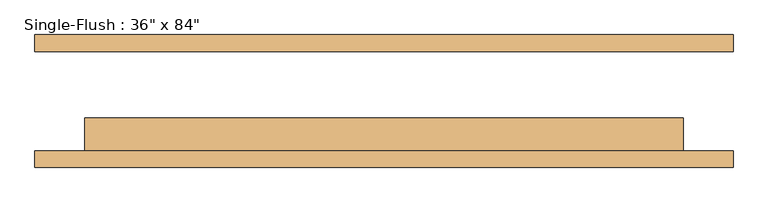
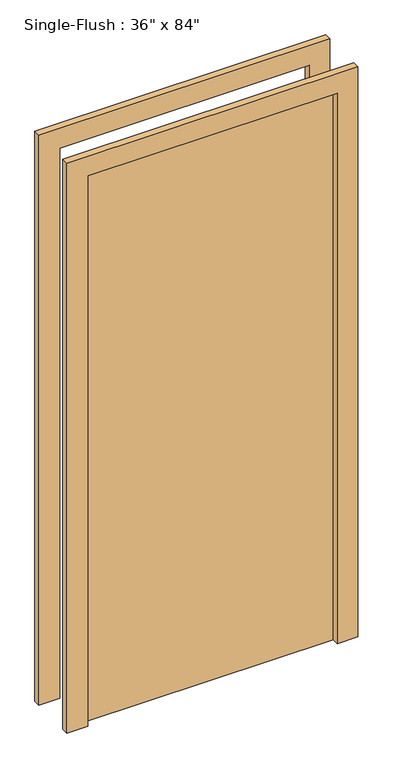
"""IFC4 building model written with IfcOpenShell, lengths in millimetres: door geometry."""

from ifc_helpers import new_model, si_unit, frame, origin, origin_with_axes, place, context, project, spatial, polyline, outline, extrude, source, transform, mapped, element, save


def door_686f89d2(model_context):
    return source(origin(), model_context, "Body", "SweptSolid", [
        extrude(outline(polyline([(2209.8, -533.4), (0.0, -533.4), (0.0, -457.2), (2133.6, -457.2), (2133.6, 457.2), (0.0, 457.2), (0.0, 533.4), (2209.8, 533.4), (2209.8, -533.4)])), frame((0.0, -101.6, 0.0), z_axis=(0.0, 1.0, 0.0), x_axis=(0.0, 0.0, 1.0)), (0.0, 0.0, 1.0), 25.4),
        extrude(outline(polyline([(2209.8, 533.4), (2209.8, -533.4), (0.0, -533.4), (0.0, -457.2), (2133.6, -457.2), (2133.6, 457.2), (0.0, 457.2), (0.0, 533.4), (2209.8, 533.4)])), frame((0.0, 76.2, 0.0), z_axis=(0.0, 1.0, 0.0), x_axis=(0.0, 0.0, 1.0)), (0.0, 0.0, 1.0), 25.4),
        extrude(outline(polyline([(457.2, -25.4), (457.2, -76.2), (-457.2, -76.2), (-457.2, -25.4), (457.2, -25.4)])), origin_with_axes(), (0.0, 0.0, 1.0), 2133.6),
    ])


if __name__ == "__main__":
    model = new_model("IFC4")
    model_context = context("Model", 3, world=origin())
    ifc_project = project(units=[si_unit("LENGTHUNIT", "METRE", prefix="MILLI")], contexts=[model_context])
    site = spatial("IfcSite", under=ifc_project)
    building = spatial("IfcBuilding", under=site)
    placement = place(None, origin())
    door_shape = door_686f89d2(model_context)
    element("IfcDoor", 1, ObjectType="Single-Flush : 36\" x 84\"", at=placement, inside=building, context=model_context, shape_type="MappedRepresentation", body=[
        mapped(door_shape, transform((0.0, 0.0, 0.0), x_axis=(1.0, 0.0, 0.0), y_axis=(0.0, 1.0, 0.0), z_axis=(0.0, 0.0, 1.0))),
    ])
    save(model, "model.ifc")
